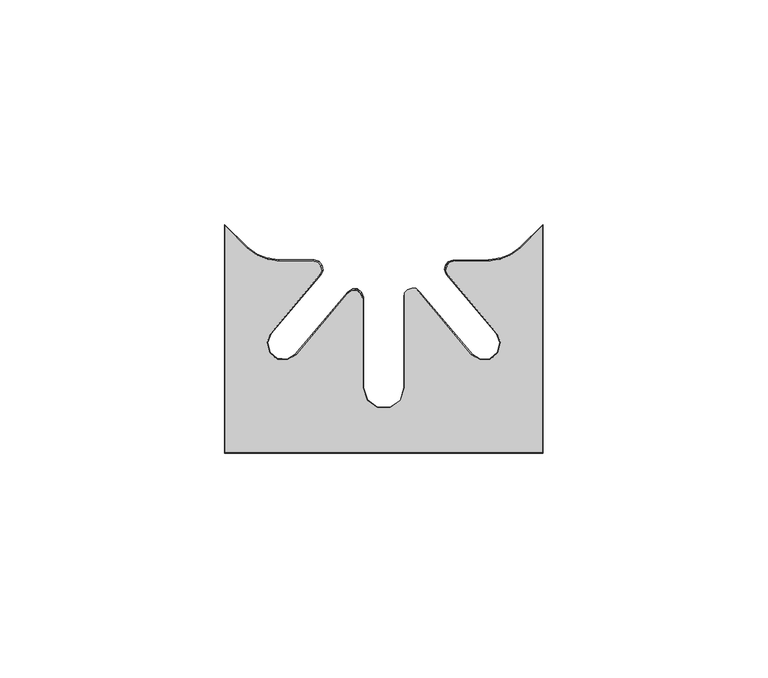
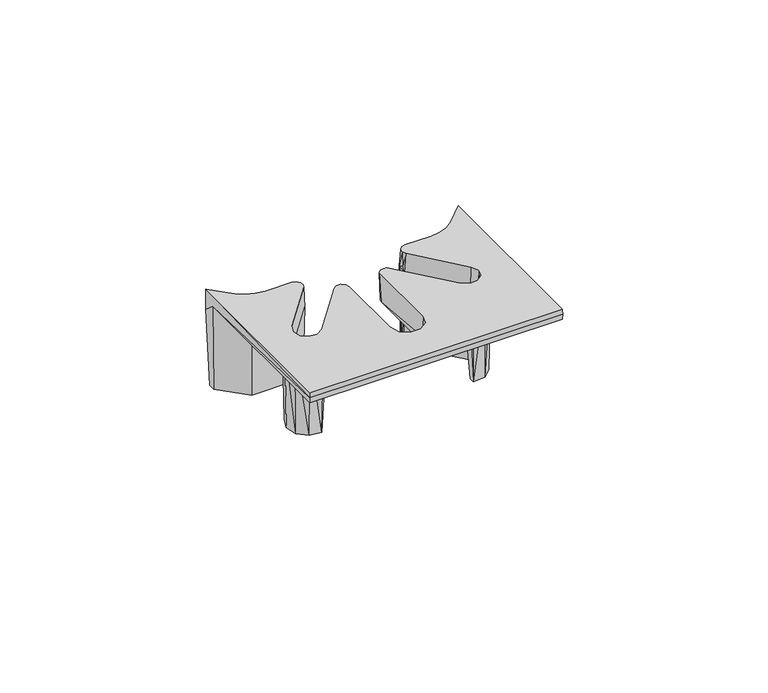
"""IFC4 building model written with IfcOpenShell, lengths in millimetres: furniture geometry."""

from ifc_helpers import new_model, si_unit, origin, place, context, project, spatial, triangles, source, transform, mapped, element, save


def furniture_d661cd3a(model_context):
    return source(origin(), model_context, "Body", "Tessellation", [
        triangles([(4270.7278109, 2511.3691288, 716.9999851), (4270.7278109, 2509.2841362, 716.9999851), (4266.3998047, 2507.1201331, 716.9999851), (4263.9228484, 2502.6031305, 716.9999851), (4264.2228301, 2505.47513, 716.9999851), (4261.6968215, 2504.4431344, 716.9999851), (4258.9908093, 2504.0911301, 716.9999851), (4251.3688182, 2502.6031305, 716.9999851), (4250.9118693, 2504.0911301, 716.9999851), (4250.2268094, 2503.8911333, 716.9999851), (4249.7568526, 2503.3551285, 716.9999851), (4249.648865, 2502.6501298, 716.9999851), (4249.9358388, 2501.9971355, 716.9999851), (4261.2058631, 2488.566133, 716.9999851), (4262.3458371, 2489.5221339, 716.9999851), (4263.6288256, 2486.3981331, 716.9999851), (4262.1518082, 2486.202133, 716.9999851), (4262.8688429, 2483.1071275, 716.9999851), (4261.5098416, 2483.7381301, 716.9999851), (4260.3458138, 2480.863133, 716.9999851), (4259.5318373, 2482.1361294, 716.9999851), (4256.988824, 2480.4911353, 716.9999851), (4256.988824, 2482.0191307, 716.9999851), (4265.9958323, 2507.5311364, 739.0000231), (4271.1118718, 2512.5531318, 739.0000231), (4271.1648482, 2509.101135, 741.9999853), (4271.1648482, 2512.3851279, 745.0000202), (4271.1908641, 2461.6671299, 743.4999664), (4271.1648482, 2461.6931321, 741.9999853), (4264.0688424, 2486.3641326, 741.9999853), (4262.6798283, 2489.8021313, 741.9999853), (4264.1008172, 2502.1671287, 741.9999853), (4252.3048075, 2502.1671287, 741.9999853), (4200.2168532, 2461.6931321, 741.9999853), (4237.8538727, 2469.5101332, 741.9999853), (4241.3538045, 2472.0531329, 741.9999853), (4256.631869, 2480.1241337, 741.9999853), (4242.6908595, 2476.1671351, 741.9999853), (4253.4878749, 2482.0891301, 741.9999853), (4242.6908595, 2494.9561318, 741.9999853), (4200.2168532, 2509.101135, 741.9999853), (4207.3128227, 2486.3641326, 741.9999853), (4208.2098246, 2482.7661327, 741.9999853), (4211.0508576, 2480.3831296, 741.9999853), (4208.7018367, 2489.8021313, 741.9999853), (4207.2808479, 2502.1671287, 741.9999853), (4219.0768575, 2502.1671287, 741.9999853), (4214.7498324, 2480.1241337, 741.9999853), (4230.0278243, 2472.0531329, 741.9999853), (4233.5278287, 2469.5101332, 741.9999853), (4228.6908419, 2476.1671351, 741.9999853), (4217.8938265, 2482.0891301, 741.9999853), (4228.6908419, 2494.9561318, 741.9999853), (4260.3308438, 2480.3831296, 741.9999853), (4263.1718768, 2482.7661327, 741.9999853), (4271.1648482, 2461.6931321, 745.0000202), (4261.7318484, 2486.2011338, 745.0000202), (4261.1848614, 2484.0081354, 745.0000202), (4259.4538624, 2482.5551354, 745.0000202), (4266.106872, 2507.4191337, 745.0000202), (4260.8848071, 2488.2961277, 745.0000202), (4264.0148486, 2505.8401331, 745.0000202), (4261.5898512, 2504.8481333, 745.0000202), (4258.9908093, 2504.5101362, 745.0000202), (4250.03685, 2501.225135, 745.0000202), (4251.5678612, 2504.5101362, 745.0000202), (4249.5848427, 2502.250136, 745.0000202), (4249.7548178, 2503.3561278, 745.0000202), (4250.4928542, 2504.1971284, 745.0000202), (4257.1988402, 2482.3971327, 745.0000202), (4239.458862, 2473.4301292, 745.0000202), (4237.1298617, 2471.7381358, 745.0000202), (4240.3478339, 2476.1671351, 745.0000202), (4255.2818061, 2483.5951337, 745.0000202), (4240.3478339, 2497.3901311, 745.0000202), (4242.92086, 2498.3271288, 744.9990028), (4241.0288243, 2498.0931314, 745.0000202), (4241.9478089, 2498.4271317, 745.0000202), (4234.2518397, 2471.7381358, 745.0000202), (4200.2168532, 2461.6931321, 745.0000202), (4231.9228394, 2473.4301292, 745.0000202), (4214.1828249, 2482.3971327, 745.0000202), (4231.0338675, 2476.1671351, 745.0000202), (4216.0998227, 2483.5951337, 745.0000202), (4231.0338675, 2495.900133, 745.0000202), (4227.502833, 2497.1851291, 745.0000202), (4230.672843, 2497.048128, 745.0000202), (4229.7188315, 2497.7811319, 745.0000202), (4228.5178147, 2497.8321281, 745.0000202), (4211.927839, 2482.5551354, 745.0000202), (4210.19684, 2484.0081354, 745.0000202), (4209.649853, 2486.2011338, 745.0000202), (4210.496858, 2488.2961277, 745.0000202), (4205.2748294, 2507.4191337, 745.0000202), (4200.2168532, 2512.3851279, 745.0000202), (4221.3448514, 2501.225135, 745.0000202), (4212.3908558, 2504.5101362, 745.0000202), (4209.7918502, 2504.8481333, 745.0000202), (4207.3668528, 2505.8401331, 745.0000202), (4219.8138402, 2504.5101362, 745.0000202), (4221.7968587, 2502.250136, 745.0000202), (4221.6268472, 2503.3561278, 745.0000202), (4220.8888472, 2504.1971284, 745.0000202), (4205.3858328, 2507.5311364, 739.0000231), (4200.2698296, 2512.5531318, 739.0000231), (4200.1908373, 2461.6671299, 743.4999664), (4200.6538541, 2509.2841362, 716.9999851), (4200.6538541, 2511.3691288, 716.9999851), (4207.458853, 2502.6031305, 716.9999851), (4204.981824, 2507.1201331, 716.9999851), (4255.9408501, 2483.1121327, 736.9999998), (4255.9408501, 2480.435134, 736.9999998), (4215.4408513, 2483.1121327, 736.9999998), (4215.4408513, 2480.435134, 736.9999998), (4214.3928411, 2482.0191307, 716.9999851), (4214.3928411, 2480.4911353, 716.9999851), (4254.65183, 2481.1561293, 736.9999998), (4255.3618157, 2483.6621354, 736.9999998), (4253.5538592, 2482.1451314, 736.9999998), (4242.6038735, 2495.1951342, 736.9999998), (4243.6368046, 2497.6361281, 737.0010172), (4242.6618642, 2498.2571294, 736.9999998), (4241.5078648, 2498.2071324, 736.9999998), (4240.5908423, 2497.5031329, 736.9999998), (4240.2428258, 2496.4011289, 737.0010172), (4240.2428258, 2476.1671351, 736.9999998), (4242.6038735, 2476.1671351, 736.9999998), (4239.3738381, 2473.4911356, 737.0069761), (4241.2838233, 2472.1041291, 736.9999998), (4237.0978142, 2471.8371305, 736.9999998), (4237.8268395, 2469.5931314, 736.9999998), (4233.5548619, 2469.5931314, 736.9999998), (4234.2838145, 2471.8371305, 736.9999998), (4230.0978055, 2472.1041291, 736.9999998), (4232.0078633, 2473.4911356, 736.9999998), (4228.7778279, 2476.1671351, 736.9999998), (4231.1388756, 2476.1671351, 736.9999998), (4228.7778279, 2495.1951342, 736.9999998), (4231.1388756, 2496.4011289, 736.9999998), (4230.7918765, 2497.5031329, 737.0230362), (4229.8738366, 2498.2071324, 736.9999998), (4228.7188199, 2498.2581286, 737.0230362), (4227.7448241, 2497.6361281, 736.9999998), (4216.0198494, 2483.6621354, 736.9999998), (4217.8278422, 2482.1451314, 736.9999998), (4216.7298351, 2481.1561293, 736.9999998), (4257.2368466, 2482.5501303, 739.0000231), (4255.4028742, 2483.6961359, 739.0000231), (4259.3948544, 2482.7001302, 739.0000231), (4261.0518754, 2484.0911336, 739.0000231), (4261.5748086, 2486.1901334, 739.0000231), (4260.7648289, 2488.1951346, 739.0000231), (4251.23387, 2504.6591278, 739.2920111), (4258.9908093, 2504.6671306, 739.0000231), (4249.6998067, 2501.389133, 739.1710155), (4212.3908558, 2504.6671306, 739.0000231), (4220.167852, 2504.6671306, 738.9990057), (4221.2318495, 2504.3571295, 738.9009739), (4221.9708306, 2503.5171281, 738.8809896), (4222.1388436, 2502.4111364, 738.9009739), (4221.6928316, 2501.3951283, 738.9990057), (4210.6168361, 2488.1951346, 739.0000231), (4209.8068565, 2486.1901334, 739.0000231), (4210.329826, 2484.0911336, 739.0000231), (4211.986847, 2482.7001302, 739.0000231), (4214.1448548, 2482.5501303, 739.0000231), (4215.9788272, 2483.6961359, 739.0000231), (4211.0358513, 2480.863133, 716.9999851), (4208.5128585, 2483.1071275, 716.9999851), (4207.7528394, 2486.3981331, 716.9999851), (4209.035828, 2489.5221339, 716.9999851), (4220.0128469, 2502.6031305, 716.9999851), (4220.4698321, 2504.0911301, 716.9999851), (4212.3908558, 2504.0911301, 716.9999851), (4207.158835, 2505.47513, 716.9999851), (4209.6848436, 2504.4431344, 716.9999851), (4221.1548557, 2503.8911333, 716.9999851), (4221.6248488, 2503.3551285, 716.9999851), (4221.7328364, 2502.6501298, 716.9999851), (4221.4458263, 2501.9971355, 716.9999851), (4210.1758383, 2488.566133, 716.9999851), (4209.2298568, 2486.202133, 716.9999851), (4209.8718235, 2483.7381301, 716.9999851), (4211.8498277, 2482.1361294, 716.9999851), (4250.0078547, 2504.2601333, 738.9979883), (4249.408836, 2503.5171281, 739.0000231), (4249.2248356, 2502.5801304, 738.9979883), (4263.9378184, 2505.976135, 739.0000231), (4261.5488654, 2505.0001317, 739.0000231), (4231.1908347, 2496.3671285, 738.9939915), (4229.8828477, 2498.2301325, 738.7549799), (4227.6828366, 2497.6431316, 738.9939915), (4240.1908667, 2476.1671351, 739.0000231), (4237.0818268, 2471.8871274, 739.0000231), (4234.2998746, 2471.8871274, 739.0000231), (4232.0498665, 2473.5221294, 739.0000231), (4231.1908347, 2476.1671351, 739.0000231), (4207.4438467, 2505.976135, 739.0000231), (4209.832836, 2505.0001317, 739.0000231), (4250.6448071, 2504.4691321, 741.0320211), (4249.4918252, 2503.5081352, 740.1070049), (4249.4748204, 2501.9591291, 741.0320211)], [[1, 2, 3], [4, 3, 2], [3, 4, 5], [5, 4, 6], [7, 6, 4], [8, 7, 4], [7, 8, 9], [10, 9, 8], [10, 8, 11], [11, 8, 12], [12, 8, 13], [13, 8, 14], [14, 8, 15], [14, 15, 16], [14, 16, 17], [17, 16, 18], [17, 18, 19], [19, 18, 20], [19, 20, 21], [21, 20, 22], [21, 22, 23], [1, 3, 24], [1, 24, 25], [2, 1, 25], [2, 25, 26], [26, 25, 27], [28, 26, 27], [28, 29, 26], [29, 30, 26], [26, 30, 31], [26, 31, 32], [32, 31, 33], [34, 35, 29], [29, 35, 36], [29, 36, 37], [37, 36, 38], [37, 38, 39], [39, 38, 40], [41, 42, 34], [34, 42, 43], [34, 43, 44], [42, 41, 45], [45, 41, 46], [45, 46, 47], [34, 44, 48], [34, 48, 49], [34, 49, 50], [49, 48, 51], [51, 48, 52], [51, 52, 53], [34, 50, 35], [37, 54, 29], [29, 54, 55], [29, 55, 30], [28, 27, 56], [32, 4, 2], [32, 2, 26], [27, 57, 56], [56, 57, 58], [56, 58, 59], [27, 60, 57], [57, 60, 61], [61, 60, 62], [61, 62, 63], [63, 64, 61], [61, 64, 65], [65, 64, 66], [65, 66, 67], [67, 66, 68], [68, 66, 69], [56, 59, 70], [56, 70, 71], [56, 71, 72], [71, 70, 73], [73, 70, 74], [73, 74, 75], [75, 74, 76], [75, 76, 77], [77, 76, 78], [56, 72, 79], [56, 79, 80], [80, 79, 81], [80, 81, 82], [82, 81, 83], [82, 83, 84], [84, 83, 85], [84, 85, 86], [86, 85, 87], [86, 87, 88], [88, 89, 86], [82, 90, 80], [80, 90, 91], [80, 91, 92], [92, 93, 94], [92, 94, 95], [80, 92, 95], [96, 97, 93], [93, 97, 98], [93, 98, 99], [97, 96, 100], [100, 96, 101], [100, 101, 102], [102, 103, 100], [93, 99, 94], [95, 94, 104], [95, 104, 105], [106, 95, 41], [41, 95, 105], [41, 105, 107], [107, 105, 108], [41, 34, 106], [95, 106, 80], [41, 107, 46], [46, 107, 109], [105, 104, 108], [108, 104, 110], [111, 23, 112], [112, 23, 22], [113, 114, 115], [115, 114, 116], [112, 117, 111], [118, 111, 117], [118, 117, 119], [118, 119, 120], [118, 120, 121], [122, 121, 120], [122, 120, 123], [123, 120, 124], [124, 120, 125], [125, 120, 126], [126, 120, 127], [128, 126, 127], [128, 127, 129], [130, 128, 129], [130, 129, 131], [130, 131, 132], [130, 132, 133], [133, 132, 134], [133, 134, 135], [135, 134, 136], [135, 136, 137], [137, 136, 138], [137, 138, 139], [140, 139, 138], [140, 138, 141], [141, 138, 142], [142, 138, 143], [143, 138, 144], [144, 138, 145], [144, 145, 146], [144, 146, 113], [113, 146, 114], [117, 112, 37], [37, 112, 22], [37, 22, 54], [54, 22, 20], [54, 20, 55], [55, 20, 18], [55, 18, 16], [16, 15, 31], [16, 31, 30], [16, 30, 55], [37, 39, 117], [117, 39, 119], [147, 111, 148], [148, 111, 118], [147, 149, 21], [147, 21, 23], [147, 23, 111], [21, 149, 19], [19, 149, 150], [19, 150, 151], [151, 152, 14], [151, 14, 17], [151, 17, 19], [61, 152, 151], [61, 151, 57], [57, 151, 150], [57, 150, 58], [58, 150, 149], [58, 149, 59], [59, 149, 147], [59, 147, 70], [70, 147, 74], [74, 147, 148], [153, 66, 64], [153, 64, 154], [61, 65, 155], [61, 155, 152], [97, 100, 156], [156, 100, 157], [157, 100, 103], [157, 103, 158], [158, 103, 102], [158, 102, 159], [159, 102, 160], [160, 102, 101], [160, 101, 161], [161, 101, 96], [106, 34, 29], [106, 29, 28], [163, 162, 93], [163, 93, 92], [163, 92, 91], [163, 91, 164], [164, 91, 90], [164, 90, 165], [165, 90, 82], [165, 82, 166], [166, 82, 84], [166, 84, 167], [116, 114, 48], [116, 48, 44], [116, 44, 168], [168, 44, 43], [168, 43, 169], [169, 43, 42], [169, 42, 170], [170, 42, 45], [170, 45, 171], [48, 114, 146], [48, 146, 52], [52, 146, 145], [172, 47, 109], [109, 47, 46], [157, 173, 174], [157, 174, 156], [108, 110, 107], [107, 110, 109], [109, 110, 175], [109, 175, 176], [109, 176, 174], [109, 174, 172], [173, 172, 174], [172, 173, 177], [177, 178, 172], [172, 178, 179], [172, 179, 180], [180, 181, 172], [172, 181, 171], [171, 181, 170], [170, 181, 182], [170, 182, 169], [169, 182, 183], [169, 183, 168], [168, 183, 184], [168, 184, 116], [116, 184, 115], [181, 162, 163], [181, 163, 182], [182, 163, 164], [182, 164, 183], [183, 164, 165], [183, 165, 184], [184, 165, 166], [184, 166, 115], [115, 166, 113], [113, 166, 167], [113, 167, 144], [13, 14, 155], [155, 14, 152], [153, 9, 10], [153, 10, 185], [185, 10, 11], [185, 11, 186], [186, 11, 187], [187, 11, 12], [155, 187, 12], [155, 12, 13], [188, 24, 3], [188, 3, 5], [189, 188, 5], [189, 5, 6], [189, 6, 7], [7, 154, 189], [138, 53, 145], [145, 53, 52], [138, 136, 53], [53, 136, 51], [51, 136, 134], [51, 134, 49], [49, 134, 132], [49, 132, 50], [50, 132, 131], [50, 131, 35], [35, 131, 129], [35, 129, 36], [36, 129, 38], [38, 129, 127], [120, 40, 127], [127, 40, 38], [8, 4, 33], [33, 4, 32], [120, 119, 40], [40, 119, 39], [8, 33, 15], [15, 33, 31], [172, 171, 47], [47, 171, 45], [28, 56, 80], [28, 80, 106], [78, 76, 122], [122, 76, 121], [122, 123, 78], [78, 123, 77], [77, 123, 124], [77, 124, 75], [75, 124, 125], [190, 139, 140], [191, 140, 141], [191, 141, 142], [142, 143, 192], [85, 190, 87], [87, 190, 140], [87, 140, 191], [142, 89, 191], [191, 89, 88], [191, 88, 87], [142, 192, 89], [89, 192, 86], [73, 75, 193], [193, 75, 125], [167, 84, 86], [167, 86, 192], [162, 181, 161], [161, 181, 180], [161, 96, 162], [162, 96, 93], [73, 193, 71], [71, 193, 128], [71, 128, 194], [71, 194, 72], [72, 194, 195], [72, 195, 79], [79, 195, 196], [79, 196, 81], [81, 196, 197], [81, 197, 83], [198, 104, 94], [198, 94, 99], [199, 198, 99], [199, 99, 98], [199, 98, 97], [97, 156, 199], [76, 74, 148], [76, 148, 121], [148, 118, 121], [83, 197, 85], [85, 197, 190], [197, 137, 190], [190, 137, 139], [153, 200, 66], [66, 200, 69], [69, 200, 201], [69, 201, 68], [67, 68, 201], [67, 201, 202], [67, 202, 65], [65, 202, 155], [199, 156, 174], [199, 174, 176], [198, 199, 176], [198, 176, 175], [104, 198, 175], [104, 175, 110], [161, 180, 160], [160, 180, 179], [160, 179, 159], [159, 179, 178], [159, 178, 177], [159, 177, 158], [158, 177, 173], [157, 158, 173], [143, 144, 192], [192, 144, 167], [126, 128, 193], [128, 130, 194], [194, 130, 133], [194, 133, 195], [195, 133, 135], [195, 135, 196], [197, 196, 135], [197, 135, 137], [125, 126, 193], [9, 153, 7], [7, 153, 154], [25, 24, 27], [27, 24, 60], [60, 24, 62], [62, 24, 188], [62, 188, 63], [63, 188, 189], [63, 189, 64], [64, 189, 154], [153, 185, 201], [153, 201, 200], [185, 186, 201], [201, 186, 187], [201, 187, 155], [201, 155, 202]]),
    ])


if __name__ == "__main__":
    model = new_model("IFC4")
    model_context = context("Model", 3, world=origin())
    ifc_project = project(units=[si_unit("LENGTHUNIT", "METRE", prefix="MILLI")], contexts=[model_context])
    site = spatial("IfcSite", under=ifc_project)
    building = spatial("IfcBuilding", under=site)
    placement = place(None, origin())
    furniture_shape = furniture_d661cd3a(model_context)
    element("IfcFurniture", 1, at=placement, inside=building, context=model_context, shape_type="MappedRepresentation", body=[
        mapped(furniture_shape, transform((0.0, 0.0, 0.0), x_axis=(1.0, 0.0, 0.0), y_axis=(0.0, 1.0, 0.0), z_axis=(0.0, 0.0, 1.0))),
    ])
    save(model, "model.ifc")
